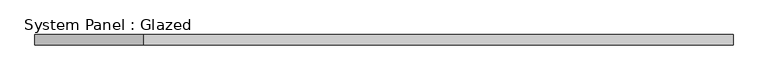
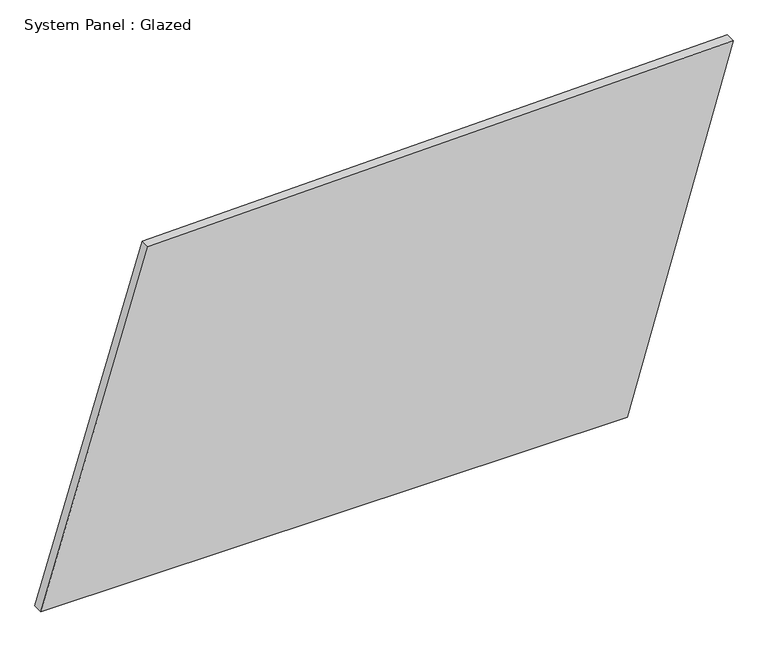
"""IFC4 building model written with IfcOpenShell, lengths in millimetres: plate geometry, System Panel : Glazed."""

from ifc_helpers import new_model, si_unit, frame, origin, place, context, project, spatial, polyline, outline, extrude, source, transform, mapped, element, save


def system_panel_glazed_a30e8e88(model_context):
    return source(origin(), model_context, "Body", "SweptSolid", [
        extrude(outline(polyline([(0.0, -851.3498237), (0.0, 591.2937049), (888.2706485, 851.3498237), (856.0753564, -587.7108199), (0.0, -851.3498237)])), frame((0.0, -49.5, 0.0), z_axis=(0.0, 1.0, 0.0), x_axis=(0.0, 0.0, 1.0)), (0.0, 0.0, 1.0), 25.0),
    ])


if __name__ == "__main__":
    model = new_model("IFC4")
    model_context = context("Model", 3, world=origin())
    ifc_project = project(units=[si_unit("LENGTHUNIT", "METRE", prefix="MILLI")], contexts=[model_context])
    site = spatial("IfcSite", under=ifc_project)
    building = spatial("IfcBuilding", under=site)
    placement = place(None, origin())
    system_panel_glazed_shape = system_panel_glazed_a30e8e88(model_context)
    element("IfcPlate", 1, ObjectType="System Panel : Glazed", at=placement, inside=building, context=model_context, shape_type="MappedRepresentation", body=[
        mapped(system_panel_glazed_shape, transform((0.0, 0.0, 0.0), x_axis=(1.0, 0.0, 0.0), y_axis=(0.0, 1.0, 0.0), z_axis=(0.0, 0.0, 1.0))),
    ])
    save(model, "model.ifc")
